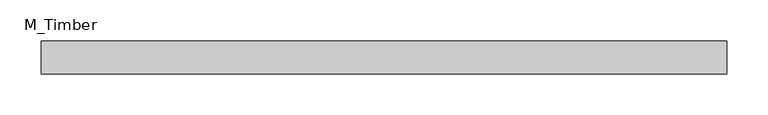
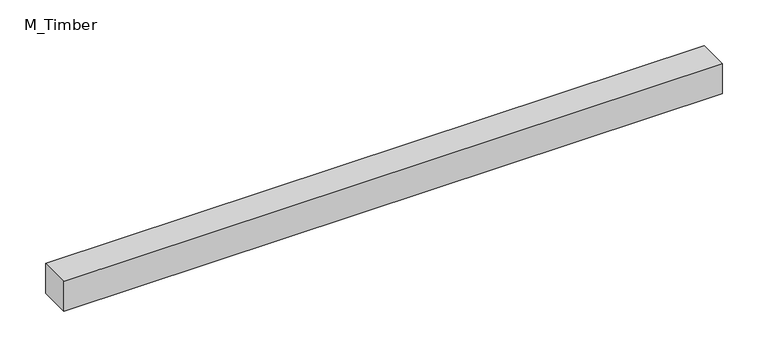
"""IFC4 building model written with IfcOpenShell, lengths in millimetres: beam geometry, M_Timber."""

import ifcopenshell
import ifcopenshell.guid

model = None  # the IFC model being written
_history = None  # IfcOwnerHistory: only IFC2X3 demands one
_inside = {}  # id of a spatial element -> (the spatial element, [elements in it])
_under = {}  # id of a project, library or spatial element -> (it, [spatial elements below it])
_declared = {}  # id of a project -> (the project, [libraries it declares])
_typed = {}  # id of a type object -> (the type object, [elements of that type])
_made_of = {}  # id of a material, layer set ... -> (it, [elements and type objects made of it])


def new_model(schema):
    """Start an empty IFC model of exactly this schema.

    Asked for "IFC4X3", IfcOpenShell would pick the latest addendum, in which some entities
    have other attributes; the version numbers below select the first issue.
    IFC2X3 requires an IfcOwnerHistory on every rooted entity: one is made here for all.
    """
    global model, _history
    if schema == "IFC4X3":
        model = ifcopenshell.file(schema_version=(4, 3, 0, 0))
    else:
        model = ifcopenshell.file(schema=schema)
    _inside.clear()
    _under.clear()
    _declared.clear()
    _typed.clear()
    _made_of.clear()
    _history = None
    if model.schema == "IFC2X3":
        org = make("IfcOrganization", Name="unknown")
        user = make(
            "IfcPersonAndOrganization",
            ThePerson=make("IfcPerson", FamilyName="unknown"),
            TheOrganization=org,
        )
        app = make(
            "IfcApplication",
            ApplicationDeveloper=org,
            Version="unknown",
            ApplicationFullName="unknown",
            ApplicationIdentifier="unknown",
        )
        _history = make(
            "IfcOwnerHistory",
            OwningUser=user,
            OwningApplication=app,
            ChangeAction="ADDED",
            CreationDate=0,
        )
    return model


def make(cls, **values):
    """One entity of the class cls with the attributes given. An attribute that is None is left unset."""
    return model.create_entity(
        cls, **{name: value for name, value in values.items() if value is not None}
    )


def rooted(cls, **values):
    """An entity with a GlobalId (a new one), such as an element, a storey or a relation."""
    return make(cls, GlobalId=ifcopenshell.guid.new(), OwnerHistory=_history, **values)


def si_unit(unit_type, name, prefix=None):
    """IfcSIUnit, for example si_unit("LENGTHUNIT", "METRE", prefix="MILLI")."""
    return make("IfcSIUnit", UnitType=unit_type, Prefix=prefix, Name=name)


def assignment(units):
    """IfcUnitAssignment: the units of a project."""
    return None if units is None else make("IfcUnitAssignment", Units=units)


def point(xyz):
    """IfcCartesianPoint."""
    return None if xyz is None else make("IfcCartesianPoint", Coordinates=xyz)


def direction(xyz):
    """IfcDirection."""
    return None if xyz is None else make("IfcDirection", DirectionRatios=xyz)


def frame(location, z_axis=None, x_axis=None):
    """IfcAxis2Placement3D, a coordinate frame: its origin and axes. An axis left out is left unset."""
    return make(
        "IfcAxis2Placement3D",
        Location=point(location),
        Axis=direction(z_axis),
        RefDirection=direction(x_axis),
    )


def origin():
    """The frame at (0, 0, 0) with its axes left unset."""
    return frame((0.0, 0.0, 0.0))


def place(relative_to, where):
    """IfcLocalPlacement: puts the frame where relative to a parent placement (None: the world)."""
    return make(
        "IfcLocalPlacement", PlacementRelTo=relative_to, RelativePlacement=where
    )


def context(
    kind, dimensions, precision=None, world=None, true_north=None, identifier=None
):
    """IfcGeometricRepresentationContext, for example the 3D "Model" context."""
    return make(
        "IfcGeometricRepresentationContext",
        ContextIdentifier=identifier,
        ContextType=kind,
        CoordinateSpaceDimension=dimensions,
        Precision=precision,
        WorldCoordinateSystem=world,
        TrueNorth=true_north,
    )


def project(units=None, contexts=None):
    """IfcProject with its units and contexts."""
    return rooted(
        "IfcProject",
        Name="project",
        RepresentationContexts=contexts,
        UnitsInContext=assignment(units),
    )


def spatial(cls, under=None, at=None, **own):
    """A site, building, storey or space (cls), placed at a placement, below another one or the project."""
    s = rooted(cls, ObjectPlacement=at, **own)
    if under is not None:
        _under.setdefault(under.id(), (under, []))[1].append(s)
    return s


def polyline(points):
    """IfcPolyline through the points."""
    return make("IfcPolyline", Points=[point(p) for p in points])


def outline(outer, holes=None, kind="AREA"):
    """IfcArbitraryClosedProfileDef: a profile drawn as a closed curve; with holes, ...WithVoids."""
    if holes is None:
        return make("IfcArbitraryClosedProfileDef", ProfileType=kind, OuterCurve=outer)
    return make(
        "IfcArbitraryProfileDefWithVoids",
        ProfileType=kind,
        OuterCurve=outer,
        InnerCurves=holes,
    )


def extrude(swept, where, along, depth):
    """IfcExtrudedAreaSolid: the profile swept, set in the frame where, extruded along a direction by depth."""
    return make(
        "IfcExtrudedAreaSolid",
        SweptArea=swept,
        Position=where,
        ExtrudedDirection=direction(along),
        Depth=depth,
    )


def shape(context_of_items, identifier, shape_type, items):
    """IfcShapeRepresentation: the items that make up one representation, for example the "Body"."""
    return make(
        "IfcShapeRepresentation",
        ContextOfItems=context_of_items,
        RepresentationIdentifier=identifier,
        RepresentationType=shape_type,
        Items=items,
    )


def source(mapping_origin, context_of_items, identifier, shape_type, items):
    """IfcRepresentationMap: a shape defined once, which mapped items show again and again."""
    return make(
        "IfcRepresentationMap",
        MappingOrigin=mapping_origin,
        MappedRepresentation=shape(context_of_items, identifier, shape_type, items),
    )


def transform(
    local_origin,
    x_axis=None,
    y_axis=None,
    z_axis=None,
    scale=None,
    scale2=None,
    scale3=None,
    uniform=True,
):
    """IfcCartesianTransformationOperator3D, or its non-uniform kind. x_axis, y_axis, z_axis: its Axis1, 2, 3."""
    if uniform:
        return make(
            "IfcCartesianTransformationOperator3D",
            Axis1=direction(x_axis),
            Axis2=direction(y_axis),
            LocalOrigin=point(local_origin),
            Scale=scale,
            Axis3=direction(z_axis),
        )
    return make(
        "IfcCartesianTransformationOperator3DnonUniform",
        Axis1=direction(x_axis),
        Axis2=direction(y_axis),
        LocalOrigin=point(local_origin),
        Scale=scale,
        Axis3=direction(z_axis),
        Scale2=scale2,
        Scale3=scale3,
    )


def mapped(mapping_source, mapping_target):
    """IfcMappedItem: shows the shape of a source again, moved by a transform."""
    return make(
        "IfcMappedItem", MappingSource=mapping_source, MappingTarget=mapping_target
    )


def made_of(thing, what):
    """Note that an element or type object is made of a material, layer set ...; save() writes the relation."""
    if what is not None:
        _made_of.setdefault(what.id(), (what, []))[1].append(thing)
    return thing


def element(
    cls,
    number,
    at=None,
    inside=None,
    cuts=None,
    type_object=None,
    material=None,
    context=None,
    identifier="Body",
    shape_type=None,
    held_by="IfcProductDefinitionShape",
    body=None,
    shapes=None,
    **own,
):
    """One element of the class cls, such as IfcWall. Its Tag is "e" and its number.

    at: its placement. inside: the storey or other place that contains it. cuts: it is an
    opening in that element (IfcRelVoidsElement). A single representation is given by context,
    identifier, shape_type and body (its items); several are given by shapes. held_by: the class
    of the entity that holds the representations. save() writes the other relations.
    """
    e = rooted(cls, Tag="e%d" % number, ObjectPlacement=at, **own)
    if body is not None:
        shapes = [shape(context, identifier, shape_type, body)]
    if shapes is not None:
        e.Representation = make(held_by, Representations=shapes)
    if inside is not None:
        _inside.setdefault(inside.id(), (inside, []))[1].append(e)
    if cuts is not None:
        rooted(
            "IfcRelVoidsElement", RelatingBuildingElement=cuts, RelatedOpeningElement=e
        )
    if type_object is not None:
        _typed.setdefault(type_object.id(), (type_object, []))[1].append(e)
    return made_of(e, material)


def aggregate(whole, parts):
    """IfcRelAggregates: a whole, such as a stair, and the parts it consists of."""
    return rooted("IfcRelAggregates", RelatingObject=whole, RelatedObjects=parts)


def save(model, path):
    """Write the relations noted so far, then the file.

    IfcRelAggregates (storeys below a building ...), IfcRelContainedInSpatialStructure (elements
    in a storey), IfcRelDefinesByType, IfcRelAssociatesMaterial and IfcRelDeclares: one each for
    every whole, place, type object, material and project.
    """
    for whole, parts in _under.values():
        aggregate(whole, parts)
    for where, things in _inside.values():
        rooted(
            "IfcRelContainedInSpatialStructure",
            RelatedElements=things,
            RelatingStructure=where,
        )
    for kind, things in _typed.values():
        rooted("IfcRelDefinesByType", RelatedObjects=things, RelatingType=kind)
    for what, things in _made_of.values():
        rooted("IfcRelAssociatesMaterial", RelatedObjects=things, RelatingMaterial=what)
    for by, libraries in _declared.values():
        rooted("IfcRelDeclares", RelatingContext=by, RelatedDefinitions=libraries)
    model.write(path)


def m_timber_e7876bcd(model_context):
    return source(origin(), model_context, "Body", "SweptSolid", [
        extrude(outline(polyline([(416.3415567, 20.0), (416.3415567, -20.0), (-416.3415567, -20.0), (-416.3415567, 20.0), (416.3415567, 20.0)])), frame((0.0, 0.0, -20.0), z_axis=(0.0, 0.0, 1.0), x_axis=(1.0, 0.0, 0.0)), (0.0, 0.0, 1.0), 40.0),
    ])


if __name__ == "__main__":
    model = new_model("IFC4")
    model_context = context("Model", 3, world=origin())
    ifc_project = project(units=[si_unit("LENGTHUNIT", "METRE", prefix="MILLI")], contexts=[model_context])
    site = spatial("IfcSite", under=ifc_project)
    building = spatial("IfcBuilding", under=site)
    placement = place(None, origin())
    m_timber_shape = m_timber_e7876bcd(model_context)
    element("IfcBeam", 1, ObjectType="M_Timber", at=placement, inside=building, context=model_context, shape_type="MappedRepresentation", body=[
        mapped(m_timber_shape, transform((0.0, 0.0, 0.0), x_axis=(1.0, 0.0, 0.0), y_axis=(0.0, 1.0, 0.0), z_axis=(0.0, 0.0, 1.0))),
    ])
    save(model, "model.ifc")
